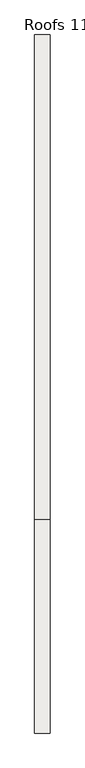
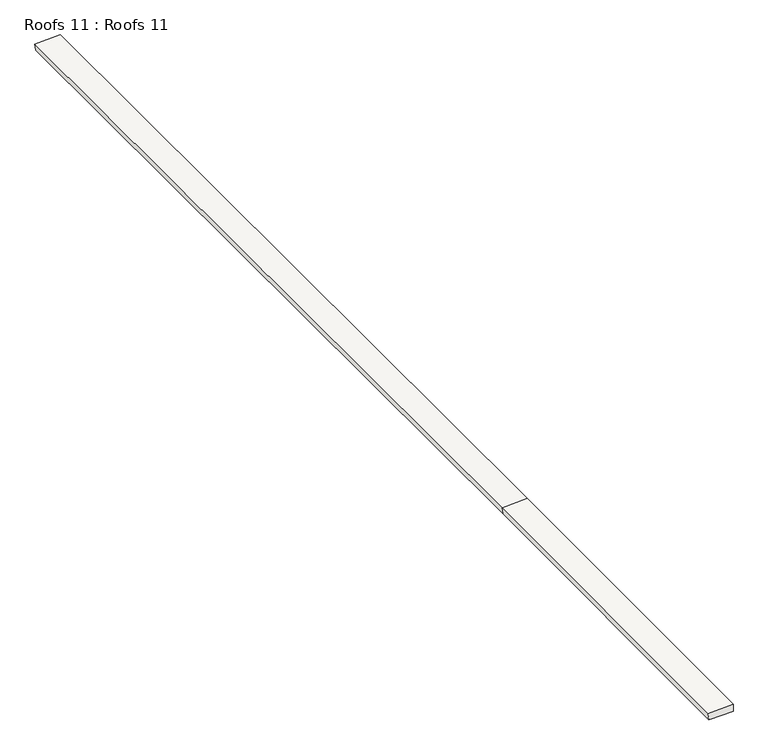
"""IFC4 building model written with IfcOpenShell, lengths in millimetres: roof geometry, Roofs 11 : Roofs 11."""

from ifc_helpers import new_model, si_unit, origin, place, context, project, spatial, faceted_brep, source, transform, mapped, element, save


def roofs_11_roofs_11_ebf43d5c(model_context):
    return source(origin(), model_context, "Body", "Brep", [
        faceted_brep([(-12602.1969605, 2523.4337542, -1633.3022722), (-12991.4760789, 2523.5188459, -1650.7545093), (-12976.136933, 2523.9910388, -1747.6009136), (-12602.1969605, 2523.9910388, -1747.6009136), (-12602.1969605, 7978.1262998, -1606.7068927), (-12991.4760789, 7978.1688459, -1624.1593373), (-12976.136933, 7978.4049437, -1721.0068927), (-12602.1969605, 7978.4049437, -1721.0068927), (-12602.1969605, 20370.4294206, -1721.0068927), (-12602.1969605, 20370.4294206, -1606.7068927), (-12976.136933, 20370.4294206, -1721.0068927), (-12991.4760789, 20370.4294206, -1624.1593373)], [[[0, 1, 2, 3]], [[1, 0, 4, 5]], [[2, 1, 5, 6]], [[3, 2, 6, 7]], [[0, 3, 7, 8, 9, 4]], [[9, 8, 10, 11]], [[5, 4, 9, 11]], [[6, 5, 11, 10]], [[7, 6, 10, 8]]]),
    ])


if __name__ == "__main__":
    model = new_model("IFC4")
    model_context = context("Model", 3, world=origin())
    ifc_project = project(units=[si_unit("LENGTHUNIT", "METRE", prefix="MILLI")], contexts=[model_context])
    site = spatial("IfcSite", under=ifc_project)
    building = spatial("IfcBuilding", under=site)
    placement = place(None, origin())
    roofs_11_roofs_11_shape = roofs_11_roofs_11_ebf43d5c(model_context)
    element("IfcRoof", 1, ObjectType="Roofs 11 : Roofs 11", at=placement, inside=building, context=model_context, shape_type="MappedRepresentation", body=[
        mapped(roofs_11_roofs_11_shape, transform((0.0, 0.0, 0.0), x_axis=(1.0, 0.0, 0.0), y_axis=(0.0, 1.0, 0.0), z_axis=(0.0, 0.0, 1.0))),
    ])
    save(model, "model.ifc")
